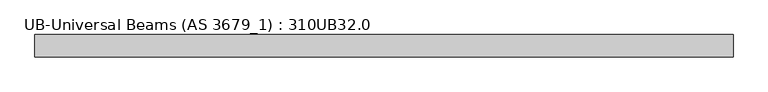
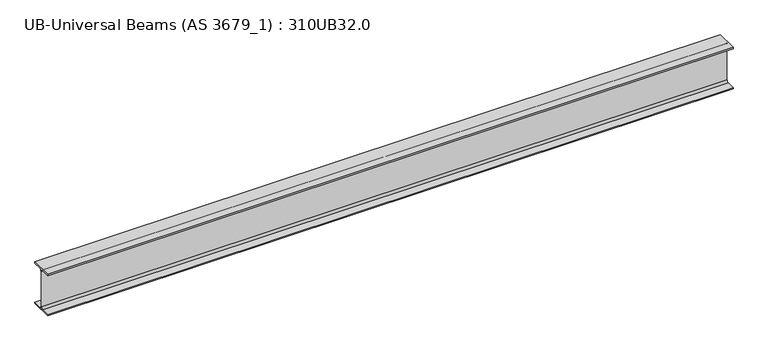
"""IFC4 building model written with IfcOpenShell, lengths in millimetres: beam geometry, UB-Universal Beams (AS 3679_1) : 310UB32.0."""

from ifc_helpers import new_model, si_unit, point, frame, frame_2d, origin, place, context, project, spatial, polyline, circle_curve, trimmed, segment, composite_curve, outline, extrude, source, transform, mapped, element, save


def ub_universal_beams_as_3679_1_310ub32_0_b0664797(model_context):
    return source(origin(), model_context, "Body", "SweptSolid", [
        extrude(outline(composite_curve([segment(polyline([(74.5, -141.0), (74.5, -149.0), (-74.5, -149.0), (-74.5, -141.0), (-15.75, -141.0)]), True, "CONTINUOUS"), segment(trimmed(circle_curve(frame_2d((-15.75, -128.0)), 13.0), [point((-15.75, -141.0))], [point((-2.75, -128.0))], True, "CARTESIAN"), True, "CONTINUOUS"), segment(polyline([(-2.75, -128.0), (-2.75, 128.0)]), True, "CONTINUOUS"), segment(trimmed(circle_curve(frame_2d((-15.75, 128.0)), 13.0), [point((-2.75, 128.0))], [point((-15.75, 141.0))], True, "CARTESIAN"), True, "CONTINUOUS"), segment(polyline([(-15.75, 141.0), (-74.5, 141.0), (-74.5, 149.0), (74.5, 149.0), (74.5, 141.0), (15.75, 141.0)]), True, "CONTINUOUS"), segment(trimmed(circle_curve(frame_2d((15.75, 128.0)), 13.0), [point((15.75, 141.0))], [point((2.75, 128.0))], True, "CARTESIAN"), True, "CONTINUOUS"), segment(polyline([(2.75, 128.0), (2.75, -128.0)]), True, "CONTINUOUS"), segment(trimmed(circle_curve(frame_2d((15.75, -128.0)), 13.0), [point((2.75, -128.0))], [point((15.75, -141.0))], True, "CARTESIAN"), True, "CONTINUOUS"), segment(polyline([(15.75, -141.0), (74.5, -141.0)]), True, "CONTINUOUS")], self_intersect=False)), frame((-2410.1, 0.0, 0.0), z_axis=(1.0, 0.0, 0.0), x_axis=(0.0, 1.0, 0.0)), (0.0, 0.0, 1.0), 4658.5),
    ])


if __name__ == "__main__":
    model = new_model("IFC4")
    model_context = context("Model", 3, world=origin())
    ifc_project = project(units=[si_unit("LENGTHUNIT", "METRE", prefix="MILLI")], contexts=[model_context])
    site = spatial("IfcSite", under=ifc_project)
    building = spatial("IfcBuilding", under=site)
    placement = place(None, origin())
    ub_universal_beams_as_3679_1_310ub32_0_shape = ub_universal_beams_as_3679_1_310ub32_0_b0664797(model_context)
    element("IfcBeam", 1, ObjectType="UB-Universal Beams (AS 3679_1) : 310UB32.0", at=placement, inside=building, context=model_context, shape_type="MappedRepresentation", body=[
        mapped(ub_universal_beams_as_3679_1_310ub32_0_shape, transform((0.0, 0.0, 0.0), x_axis=(1.0, 0.0, 0.0), y_axis=(0.0, 1.0, 0.0), z_axis=(0.0, 0.0, 1.0))),
    ])
    save(model, "model.ifc")
